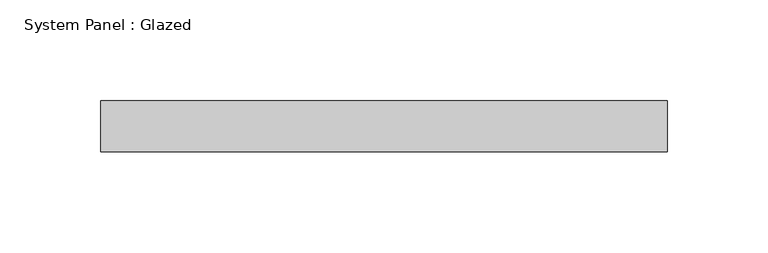
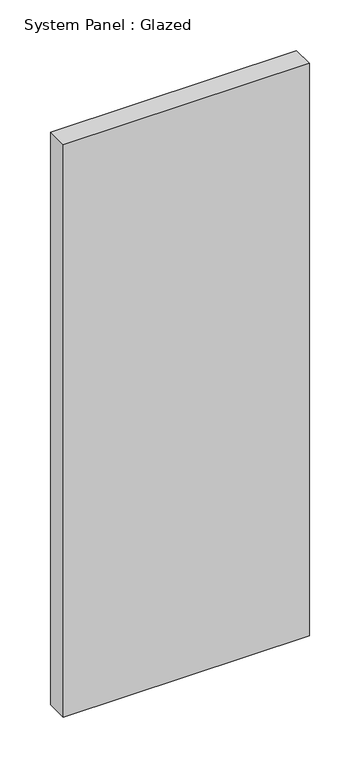
"""IFC4 building model written with IfcOpenShell, lengths in millimetres: plate geometry, System Panel : Glazed."""

import ifcopenshell
import ifcopenshell.guid

model = None  # the IFC model being written
_history = None  # IfcOwnerHistory: only IFC2X3 demands one
_inside = {}  # id of a spatial element -> (the spatial element, [elements in it])
_under = {}  # id of a project, library or spatial element -> (it, [spatial elements below it])
_declared = {}  # id of a project -> (the project, [libraries it declares])
_typed = {}  # id of a type object -> (the type object, [elements of that type])
_made_of = {}  # id of a material, layer set ... -> (it, [elements and type objects made of it])


def new_model(schema):
    """Start an empty IFC model of exactly this schema.

    Asked for "IFC4X3", IfcOpenShell would pick the latest addendum, in which some entities
    have other attributes; the version numbers below select the first issue.
    IFC2X3 requires an IfcOwnerHistory on every rooted entity: one is made here for all.
    """
    global model, _history
    if schema == "IFC4X3":
        model = ifcopenshell.file(schema_version=(4, 3, 0, 0))
    else:
        model = ifcopenshell.file(schema=schema)
    _inside.clear()
    _under.clear()
    _declared.clear()
    _typed.clear()
    _made_of.clear()
    _history = None
    if model.schema == "IFC2X3":
        org = make("IfcOrganization", Name="unknown")
        user = make(
            "IfcPersonAndOrganization",
            ThePerson=make("IfcPerson", FamilyName="unknown"),
            TheOrganization=org,
        )
        app = make(
            "IfcApplication",
            ApplicationDeveloper=org,
            Version="unknown",
            ApplicationFullName="unknown",
            ApplicationIdentifier="unknown",
        )
        _history = make(
            "IfcOwnerHistory",
            OwningUser=user,
            OwningApplication=app,
            ChangeAction="ADDED",
            CreationDate=0,
        )
    return model


def make(cls, **values):
    """One entity of the class cls with the attributes given. An attribute that is None is left unset."""
    return model.create_entity(
        cls, **{name: value for name, value in values.items() if value is not None}
    )


def rooted(cls, **values):
    """An entity with a GlobalId (a new one), such as an element, a storey or a relation."""
    return make(cls, GlobalId=ifcopenshell.guid.new(), OwnerHistory=_history, **values)


def si_unit(unit_type, name, prefix=None):
    """IfcSIUnit, for example si_unit("LENGTHUNIT", "METRE", prefix="MILLI")."""
    return make("IfcSIUnit", UnitType=unit_type, Prefix=prefix, Name=name)


def assignment(units):
    """IfcUnitAssignment: the units of a project."""
    return None if units is None else make("IfcUnitAssignment", Units=units)


def point(xyz):
    """IfcCartesianPoint."""
    return None if xyz is None else make("IfcCartesianPoint", Coordinates=xyz)


def direction(xyz):
    """IfcDirection."""
    return None if xyz is None else make("IfcDirection", DirectionRatios=xyz)


def frame(location, z_axis=None, x_axis=None):
    """IfcAxis2Placement3D, a coordinate frame: its origin and axes. An axis left out is left unset."""
    return make(
        "IfcAxis2Placement3D",
        Location=point(location),
        Axis=direction(z_axis),
        RefDirection=direction(x_axis),
    )


def origin():
    """The frame at (0, 0, 0) with its axes left unset."""
    return frame((0.0, 0.0, 0.0))


def origin_with_axes():
    """The frame at (0, 0, 0) with the z axis (0, 0, 1) and the x axis (1, 0, 0) written out."""
    return frame((0.0, 0.0, 0.0), z_axis=(0.0, 0.0, 1.0), x_axis=(1.0, 0.0, 0.0))


def place(relative_to, where):
    """IfcLocalPlacement: puts the frame where relative to a parent placement (None: the world)."""
    return make(
        "IfcLocalPlacement", PlacementRelTo=relative_to, RelativePlacement=where
    )


def context(
    kind, dimensions, precision=None, world=None, true_north=None, identifier=None
):
    """IfcGeometricRepresentationContext, for example the 3D "Model" context."""
    return make(
        "IfcGeometricRepresentationContext",
        ContextIdentifier=identifier,
        ContextType=kind,
        CoordinateSpaceDimension=dimensions,
        Precision=precision,
        WorldCoordinateSystem=world,
        TrueNorth=true_north,
    )


def project(units=None, contexts=None):
    """IfcProject with its units and contexts."""
    return rooted(
        "IfcProject",
        Name="project",
        RepresentationContexts=contexts,
        UnitsInContext=assignment(units),
    )


def spatial(cls, under=None, at=None, **own):
    """A site, building, storey or space (cls), placed at a placement, below another one or the project."""
    s = rooted(cls, ObjectPlacement=at, **own)
    if under is not None:
        _under.setdefault(under.id(), (under, []))[1].append(s)
    return s


def polyline(points):
    """IfcPolyline through the points."""
    return make("IfcPolyline", Points=[point(p) for p in points])


def outline(outer, holes=None, kind="AREA"):
    """IfcArbitraryClosedProfileDef: a profile drawn as a closed curve; with holes, ...WithVoids."""
    if holes is None:
        return make("IfcArbitraryClosedProfileDef", ProfileType=kind, OuterCurve=outer)
    return make(
        "IfcArbitraryProfileDefWithVoids",
        ProfileType=kind,
        OuterCurve=outer,
        InnerCurves=holes,
    )


def extrude(swept, where, along, depth):
    """IfcExtrudedAreaSolid: the profile swept, set in the frame where, extruded along a direction by depth."""
    return make(
        "IfcExtrudedAreaSolid",
        SweptArea=swept,
        Position=where,
        ExtrudedDirection=direction(along),
        Depth=depth,
    )


def shape(context_of_items, identifier, shape_type, items):
    """IfcShapeRepresentation: the items that make up one representation, for example the "Body"."""
    return make(
        "IfcShapeRepresentation",
        ContextOfItems=context_of_items,
        RepresentationIdentifier=identifier,
        RepresentationType=shape_type,
        Items=items,
    )


def source(mapping_origin, context_of_items, identifier, shape_type, items):
    """IfcRepresentationMap: a shape defined once, which mapped items show again and again."""
    return make(
        "IfcRepresentationMap",
        MappingOrigin=mapping_origin,
        MappedRepresentation=shape(context_of_items, identifier, shape_type, items),
    )


def transform(
    local_origin,
    x_axis=None,
    y_axis=None,
    z_axis=None,
    scale=None,
    scale2=None,
    scale3=None,
    uniform=True,
):
    """IfcCartesianTransformationOperator3D, or its non-uniform kind. x_axis, y_axis, z_axis: its Axis1, 2, 3."""
    if uniform:
        return make(
            "IfcCartesianTransformationOperator3D",
            Axis1=direction(x_axis),
            Axis2=direction(y_axis),
            LocalOrigin=point(local_origin),
            Scale=scale,
            Axis3=direction(z_axis),
        )
    return make(
        "IfcCartesianTransformationOperator3DnonUniform",
        Axis1=direction(x_axis),
        Axis2=direction(y_axis),
        LocalOrigin=point(local_origin),
        Scale=scale,
        Axis3=direction(z_axis),
        Scale2=scale2,
        Scale3=scale3,
    )


def mapped(mapping_source, mapping_target):
    """IfcMappedItem: shows the shape of a source again, moved by a transform."""
    return make(
        "IfcMappedItem", MappingSource=mapping_source, MappingTarget=mapping_target
    )


def made_of(thing, what):
    """Note that an element or type object is made of a material, layer set ...; save() writes the relation."""
    if what is not None:
        _made_of.setdefault(what.id(), (what, []))[1].append(thing)
    return thing


def element(
    cls,
    number,
    at=None,
    inside=None,
    cuts=None,
    type_object=None,
    material=None,
    context=None,
    identifier="Body",
    shape_type=None,
    held_by="IfcProductDefinitionShape",
    body=None,
    shapes=None,
    **own,
):
    """One element of the class cls, such as IfcWall. Its Tag is "e" and its number.

    at: its placement. inside: the storey or other place that contains it. cuts: it is an
    opening in that element (IfcRelVoidsElement). A single representation is given by context,
    identifier, shape_type and body (its items); several are given by shapes. held_by: the class
    of the entity that holds the representations. save() writes the other relations.
    """
    e = rooted(cls, Tag="e%d" % number, ObjectPlacement=at, **own)
    if body is not None:
        shapes = [shape(context, identifier, shape_type, body)]
    if shapes is not None:
        e.Representation = make(held_by, Representations=shapes)
    if inside is not None:
        _inside.setdefault(inside.id(), (inside, []))[1].append(e)
    if cuts is not None:
        rooted(
            "IfcRelVoidsElement", RelatingBuildingElement=cuts, RelatedOpeningElement=e
        )
    if type_object is not None:
        _typed.setdefault(type_object.id(), (type_object, []))[1].append(e)
    return made_of(e, material)


def aggregate(whole, parts):
    """IfcRelAggregates: a whole, such as a stair, and the parts it consists of."""
    return rooted("IfcRelAggregates", RelatingObject=whole, RelatedObjects=parts)


def save(model, path):
    """Write the relations noted so far, then the file.

    IfcRelAggregates (storeys below a building ...), IfcRelContainedInSpatialStructure (elements
    in a storey), IfcRelDefinesByType, IfcRelAssociatesMaterial and IfcRelDeclares: one each for
    every whole, place, type object, material and project.
    """
    for whole, parts in _under.values():
        aggregate(whole, parts)
    for where, things in _inside.values():
        rooted(
            "IfcRelContainedInSpatialStructure",
            RelatedElements=things,
            RelatingStructure=where,
        )
    for kind, things in _typed.values():
        rooted("IfcRelDefinesByType", RelatedObjects=things, RelatingType=kind)
    for what, things in _made_of.values():
        rooted("IfcRelAssociatesMaterial", RelatedObjects=things, RelatingMaterial=what)
    for by, libraries in _declared.values():
        rooted("IfcRelDeclares", RelatingContext=by, RelatedDefinitions=libraries)
    model.write(path)


def system_panel_glazed_6560caba(model_context):
    return source(origin(), model_context, "Body", "SweptSolid", [
        extrude(outline(polyline([(140.7583333, -12.7), (-140.7583333, -12.7), (-140.7583333, 12.7), (140.7583333, 12.7), (140.7583333, -12.7)])), origin_with_axes(), (0.0, 0.0, 1.0), 692.15),
    ])


if __name__ == "__main__":
    model = new_model("IFC4")
    model_context = context("Model", 3, world=origin())
    ifc_project = project(units=[si_unit("LENGTHUNIT", "METRE", prefix="MILLI")], contexts=[model_context])
    site = spatial("IfcSite", under=ifc_project)
    building = spatial("IfcBuilding", under=site)
    placement = place(None, origin())
    system_panel_glazed_shape = system_panel_glazed_6560caba(model_context)
    element("IfcPlate", 1, ObjectType="System Panel : Glazed", at=placement, inside=building, context=model_context, shape_type="MappedRepresentation", body=[
        mapped(system_panel_glazed_shape, transform((0.0, 0.0, 0.0), x_axis=(1.0, 0.0, 0.0), y_axis=(0.0, 1.0, 0.0), z_axis=(0.0, 0.0, 1.0))),
    ])
    save(model, "model.ifc")
